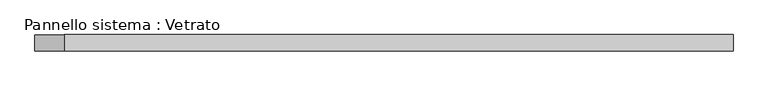
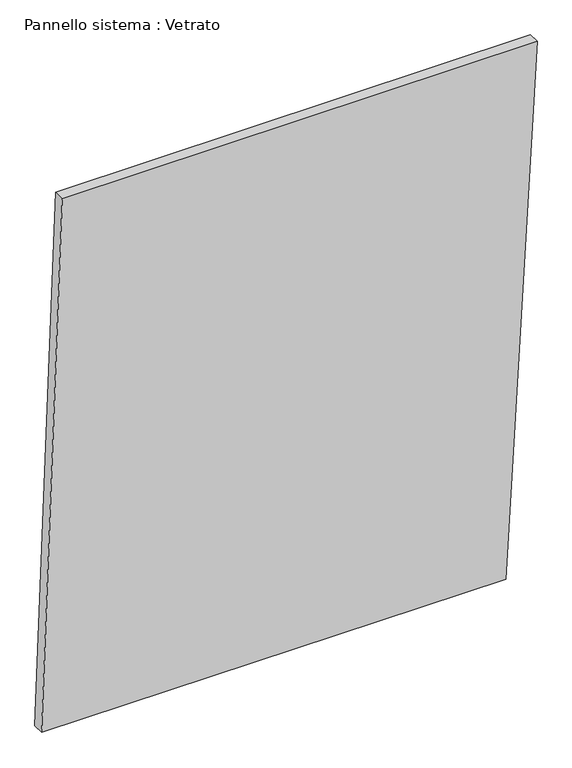
"""IFC4 building model written with IfcOpenShell, lengths in millimetres: plate geometry, Pannello sistema : Vetrato."""

from ifc_helpers import new_model, si_unit, frame, origin, place, context, project, spatial, polyline, outline, extrude, source, transform, mapped, element, save


def pannello_sistema_vetrato_924d633b(model_context):
    return source(origin(), model_context, "Body", "SweptSolid", [
        extrude(outline(polyline([(1.7823764, -648.5632387), (0.0, 567.1908209), (1457.9716834, 648.5632387), (1457.9716834, -594.4671478), (1.7823764, -648.5632387)])), frame((0.0, -15.0, 0.0), z_axis=(0.0, 1.0, 0.0), x_axis=(0.0, 0.0, 1.0)), (0.0, 0.0, 1.0), 30.0),
    ])


if __name__ == "__main__":
    model = new_model("IFC4")
    model_context = context("Model", 3, world=origin())
    ifc_project = project(units=[si_unit("LENGTHUNIT", "METRE", prefix="MILLI")], contexts=[model_context])
    site = spatial("IfcSite", under=ifc_project)
    building = spatial("IfcBuilding", under=site)
    placement = place(None, origin())
    pannello_sistema_vetrato_shape = pannello_sistema_vetrato_924d633b(model_context)
    element("IfcPlate", 1, ObjectType="Pannello sistema : Vetrato", at=placement, inside=building, context=model_context, shape_type="MappedRepresentation", body=[
        mapped(pannello_sistema_vetrato_shape, transform((0.0, 0.0, 0.0), x_axis=(1.0, 0.0, 0.0), y_axis=(0.0, 1.0, 0.0), z_axis=(0.0, 0.0, 1.0))),
    ])
    save(model, "model.ifc")
